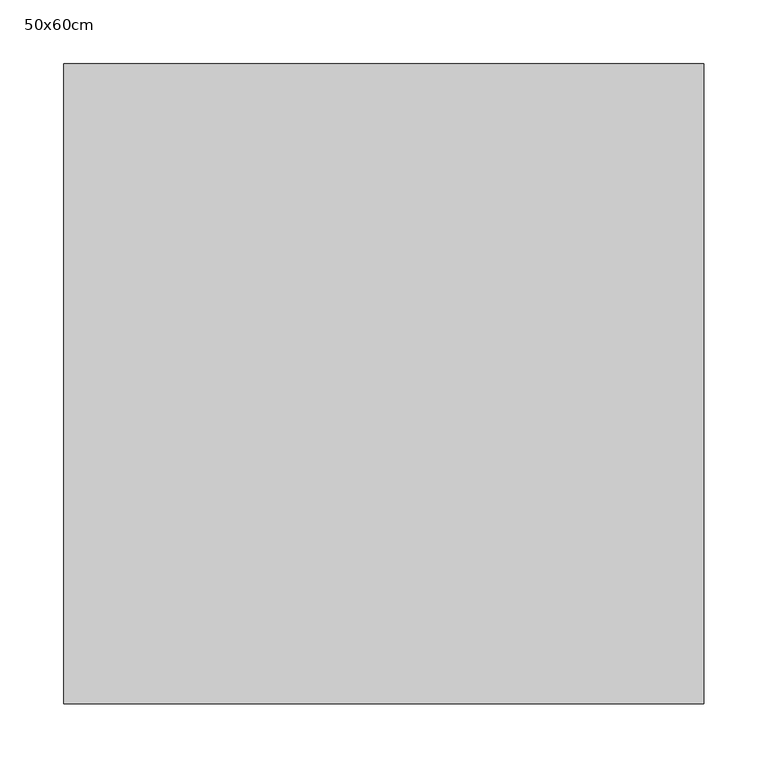
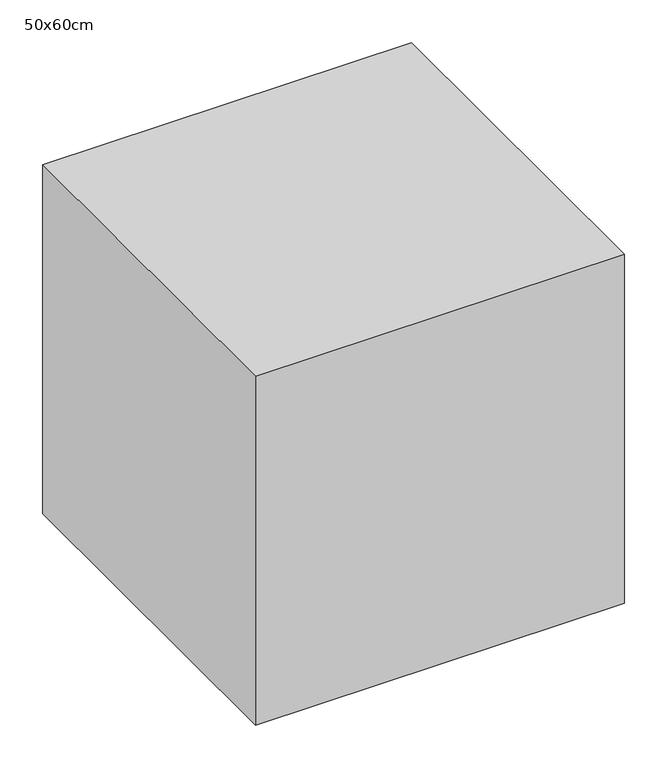
"""IFC4 building model written with IfcOpenShell, lengths in millimetres: proxy geometry, 50x60cm."""

from ifc_helpers import new_model, si_unit, frame, origin, place, context, project, spatial, polyline, outline, extrude, source, transform, mapped, element, save


def proxy_50x60cm_6ea91770(model_context):
    return source(origin(), model_context, "Body", "SweptSolid", [
        extrude(outline(polyline([(500.0, 500.0), (500.0, 0.0), (0.0, 0.0), (0.0, 500.0), (500.0, 500.0)])), frame((0.0, 0.0, 100.0), z_axis=(0.0, 0.0, 1.0), x_axis=(1.0, 0.0, 0.0)), (0.0, 0.0, 1.0), 500.0),
    ])


if __name__ == "__main__":
    model = new_model("IFC4")
    model_context = context("Model", 3, world=origin())
    ifc_project = project(units=[si_unit("LENGTHUNIT", "METRE", prefix="MILLI")], contexts=[model_context])
    site = spatial("IfcSite", under=ifc_project)
    building = spatial("IfcBuilding", under=site)
    placement = place(None, origin())
    proxy_50x60cm_shape = proxy_50x60cm_6ea91770(model_context)
    element("IfcBuildingElementProxy", 1, Name="50x60cm", ObjectType="50x60cm", at=placement, inside=building, context=model_context, shape_type="MappedRepresentation", body=[
        mapped(proxy_50x60cm_shape, transform((0.0, 0.0, 0.0), x_axis=(1.0, 0.0, 0.0), y_axis=(0.0, 1.0, 0.0), z_axis=(0.0, 0.0, 1.0))),
    ])
    save(model, "model.ifc")
